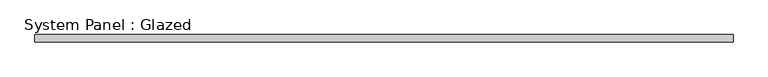
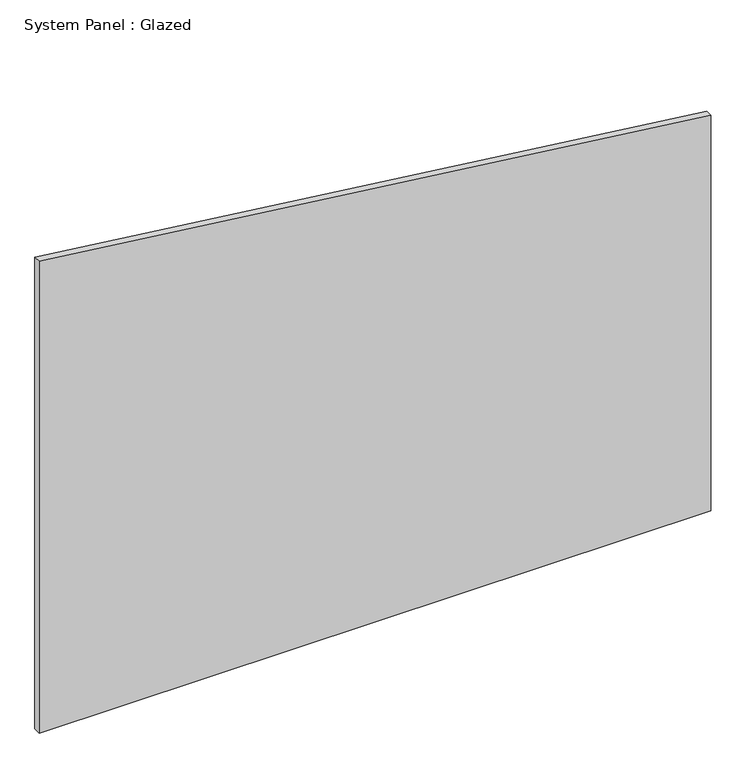
"""IFC4 building model written with IfcOpenShell, lengths in millimetres: plate geometry, System Panel : Glazed."""

from ifc_helpers import new_model, si_unit, frame, origin, place, context, project, spatial, polyline, outline, extrude, source, transform, mapped, element, save


def system_panel_glazed_02fe907b(model_context):
    return source(origin(), model_context, "Body", "SweptSolid", [
        extrude(outline(polyline([(0.0, -1171.7121958), (0.0, 1171.7121958), (1458.1478449, 1171.7121958), (1739.5403103, -1171.7121958), (0.0, -1171.7121958)])), frame((0.0, 24.5, 0.0), z_axis=(0.0, 1.0, 0.0), x_axis=(0.0, 0.0, 1.0)), (0.0, 0.0, 1.0), 25.0),
    ])


if __name__ == "__main__":
    model = new_model("IFC4")
    model_context = context("Model", 3, world=origin())
    ifc_project = project(units=[si_unit("LENGTHUNIT", "METRE", prefix="MILLI")], contexts=[model_context])
    site = spatial("IfcSite", under=ifc_project)
    building = spatial("IfcBuilding", under=site)
    placement = place(None, origin())
    system_panel_glazed_shape = system_panel_glazed_02fe907b(model_context)
    element("IfcPlate", 1, ObjectType="System Panel : Glazed", at=placement, inside=building, context=model_context, shape_type="MappedRepresentation", body=[
        mapped(system_panel_glazed_shape, transform((0.0, 0.0, 0.0), x_axis=(1.0, 0.0, 0.0), y_axis=(0.0, 1.0, 0.0), z_axis=(0.0, 0.0, 1.0))),
    ])
    save(model, "model.ifc")
